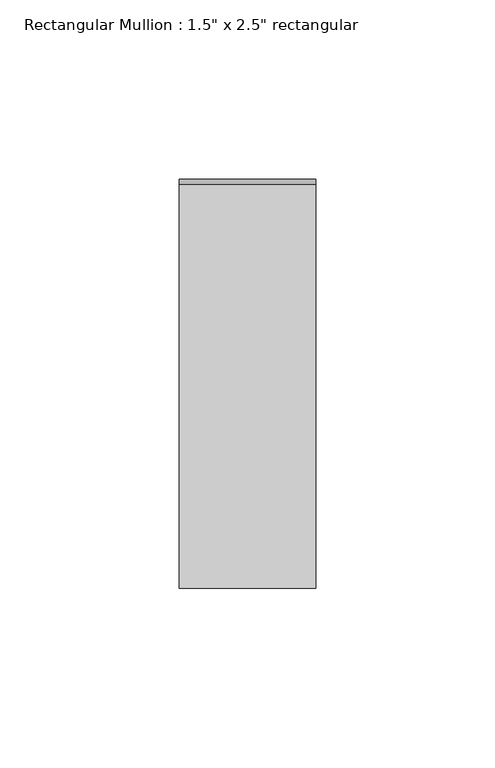
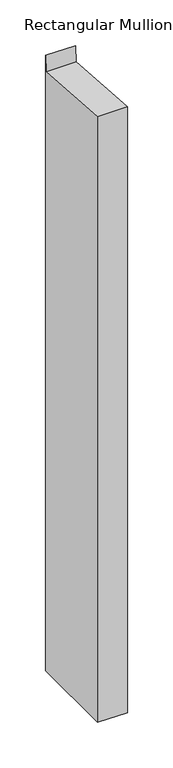
"""IFC4 building model written with IfcOpenShell, lengths in millimetres: member geometry."""

from ifc_helpers import new_model, si_unit, frame, origin, place, context, project, spatial, polyline, outline, extrude, source, transform, mapped, element, save


def member_b3d8fc76(model_context):
    return source(origin(), model_context, "Body", "SweptSolid", [
        extrude(outline(polyline([(-57.15, 4.0833298), (55.6270263, -4.0726933), (57.15, 16.9861539), (57.15, -807.6203056), (-57.15, -807.6203056), (-57.15, 4.0833298)])), frame((-38.1, 0.0, 0.0), z_axis=(1.0, 0.0, 0.0), x_axis=(0.0, 1.0, 0.0)), (0.0, 0.0, 1.0), 38.1),
    ])


if __name__ == "__main__":
    model = new_model("IFC4")
    model_context = context("Model", 3, world=origin())
    ifc_project = project(units=[si_unit("LENGTHUNIT", "METRE", prefix="MILLI")], contexts=[model_context])
    site = spatial("IfcSite", under=ifc_project)
    building = spatial("IfcBuilding", under=site)
    placement = place(None, origin())
    member_shape = member_b3d8fc76(model_context)
    element("IfcMember", 1, ObjectType="Rectangular Mullion : 1.5\" x 2.5\" rectangular", at=placement, inside=building, context=model_context, shape_type="MappedRepresentation", body=[
        mapped(member_shape, transform((0.0, 0.0, 0.0), x_axis=(1.0, 0.0, 0.0), y_axis=(0.0, 1.0, 0.0), z_axis=(0.0, 0.0, 1.0))),
    ])
    save(model, "model.ifc")
